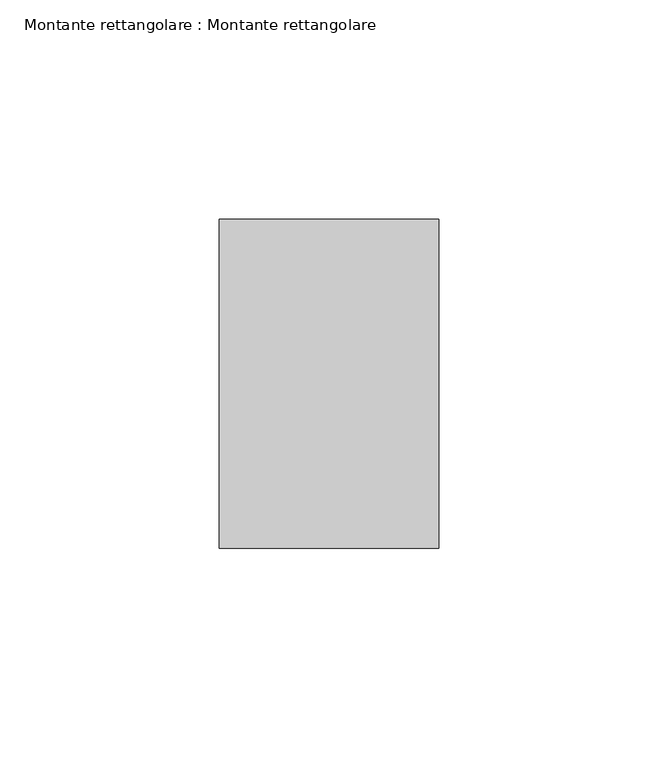
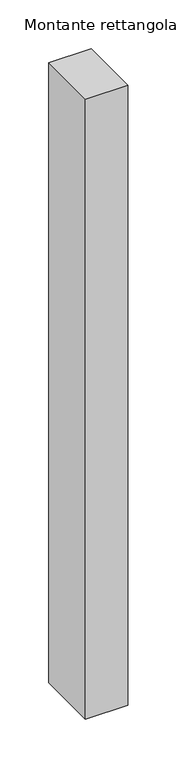
"""IFC4 building model written with IfcOpenShell, lengths in millimetres: member geometry, Montante rettangolare : Montante rettangolare."""

from ifc_helpers import new_model, si_unit, frame, origin, place, context, project, spatial, polyline, outline, extrude, source, transform, mapped, element, save


def montante_rettangolare_montante_rettangolare_26fd9c25(model_context):
    return source(origin(), model_context, "Body", "SweptSolid", [
        extrude(outline(polyline([(25.0, 37.5), (25.0, -37.5), (-25.0, -37.5), (-25.0, 37.5), (25.0, 37.5)])), frame((0.0, 0.0, -775.0000911), z_axis=(0.0, 0.0, 1.0), x_axis=(1.0, 0.0, 0.0)), (0.0, 0.0, 1.0), 775.0000911),
    ])


if __name__ == "__main__":
    model = new_model("IFC4")
    model_context = context("Model", 3, world=origin())
    ifc_project = project(units=[si_unit("LENGTHUNIT", "METRE", prefix="MILLI")], contexts=[model_context])
    site = spatial("IfcSite", under=ifc_project)
    building = spatial("IfcBuilding", under=site)
    placement = place(None, origin())
    montante_rettangolare_montante_rettangolare_shape = montante_rettangolare_montante_rettangolare_26fd9c25(model_context)
    element("IfcMember", 1, ObjectType="Montante rettangolare : Montante rettangolare", at=placement, inside=building, context=model_context, shape_type="MappedRepresentation", body=[
        mapped(montante_rettangolare_montante_rettangolare_shape, transform((0.0, 0.0, 0.0), x_axis=(1.0, 0.0, 0.0), y_axis=(0.0, 1.0, 0.0), z_axis=(0.0, 0.0, 1.0))),
    ])
    save(model, "model.ifc")
